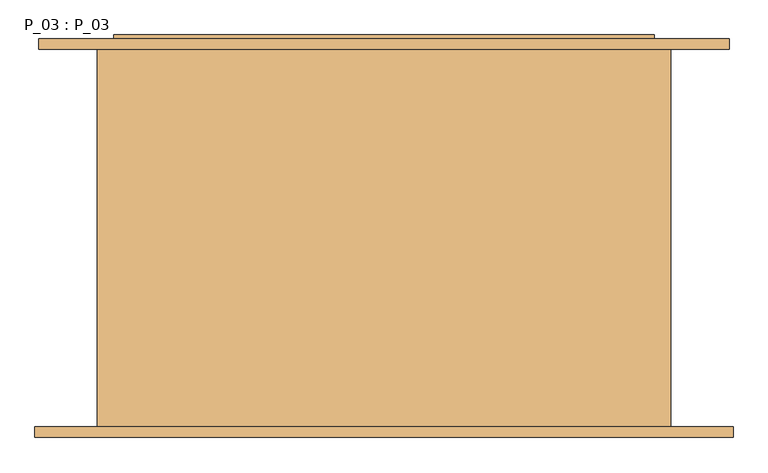
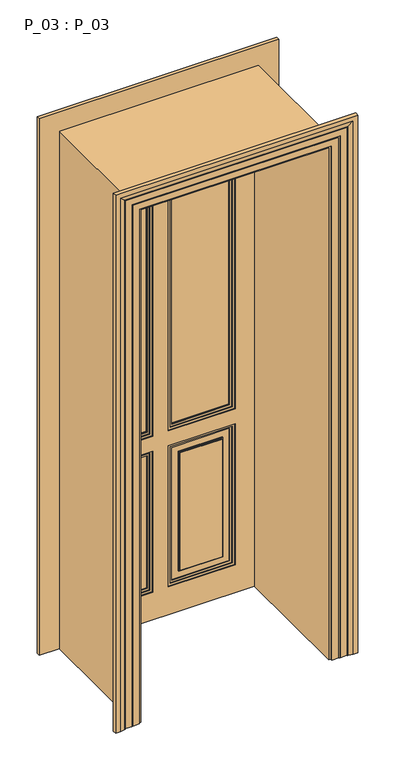
"""IFC4 building model written with IfcOpenShell, lengths in millimetres: door geometry, P_03 : P_03."""

from ifc_helpers import new_model, si_unit, frame, origin, place, context, project, spatial, polyline, outline, extrude, faceted_brep, source, transform, mapped, element, save


def p_03_p_03_9fbab7fd(model_context):
    return source(origin(), model_context, "Body", "SolidModel", [
        extrude(outline(polyline([(2310.0, -35.0), (2310.0, -330.0), (860.0, -330.0), (860.0, -35.0), (2310.0, -35.0)]), holes=[polyline([(2300.0, -320.0), (2300.0, -45.0), (870.0, -45.0), (870.0, -320.0), (2300.0, -320.0)])]), frame((0.0, 282.0, 0.0), z_axis=(0.0, 1.0, 0.0), x_axis=(0.0, 0.0, 1.0)), (0.0, 0.0, 1.0), 8.0),
        extrude(outline(polyline([(860.0, 330.0), (2310.0, 330.0), (2310.0, 35.0), (860.0, 35.0), (860.0, 330.0)]), holes=[polyline([(2300.0, 45.0), (2300.0, 320.0), (870.0, 320.0), (870.0, 45.0), (2300.0, 45.0)])]), frame((0.0, 282.0, 0.0), z_axis=(0.0, 1.0, 0.0), x_axis=(0.0, 0.0, 1.0)), (0.0, 0.0, 1.0), 8.0),
        extrude(outline(polyline([(790.0, -330.0), (130.0, -330.0), (130.0, -35.0), (790.0, -35.0), (790.0, -330.0)]), holes=[polyline([(780.0, -320.0), (780.0, -45.0), (140.0, -45.0), (140.0, -320.0), (780.0, -320.0)])]), frame((0.0, 282.0, 0.0), z_axis=(0.0, 1.0, 0.0), x_axis=(0.0, 0.0, 1.0)), (0.0, 0.0, 1.0), 8.0),
        extrude(outline(polyline([(130.0, 330.0), (790.0, 330.0), (790.0, 35.0), (130.0, 35.0), (130.0, 330.0)]), holes=[polyline([(780.0, 45.0), (780.0, 320.0), (140.0, 320.0), (140.0, 45.0), (780.0, 45.0)])]), frame((0.0, 282.0, 0.0), z_axis=(0.0, 1.0, 0.0), x_axis=(0.0, 0.0, 1.0)), (0.0, 0.0, 1.0), 8.0),
        extrude(outline(polyline([(0.0, 415.0), (2395.0, 415.0), (2395.0, -415.0), (0.0, -415.0), (0.0, 415.0)]), holes=[polyline([(860.0, -35.0), (860.0, -330.0), (2310.0, -330.0), (2310.0, -35.0), (860.0, -35.0)]), polyline([(790.0, -35.0), (130.0, -35.0), (130.0, -330.0), (790.0, -330.0), (790.0, -35.0)]), polyline([(860.0, 35.0), (2310.0, 35.0), (2310.0, 330.0), (860.0, 330.0), (860.0, 35.0)]), polyline([(130.0, 35.0), (790.0, 35.0), (790.0, 330.0), (130.0, 330.0), (130.0, 35.0)])]), frame((0.0, 278.0, 0.0), z_axis=(0.0, 1.0, 0.0), x_axis=(0.0, 0.0, 1.0)), (0.0, 0.0, 1.0), 12.0),
        extrude(outline(polyline([(2400.0, -420.0), (0.0, -420.0), (0.0, 420.0), (2400.0, 420.0), (2400.0, -420.0)]), holes=[polyline([(2290.0, 310.0), (880.0, 310.0), (880.0, 55.0), (2290.0, 55.0), (2290.0, 310.0)]), polyline([(880.0, -55.0), (880.0, -310.0), (2290.0, -310.0), (2290.0, -55.0), (880.0, -55.0)])]), frame((0.0, 290.0, 0.0), z_axis=(0.0, 1.0, 0.0), x_axis=(0.0, 0.0, 1.0)), (0.0, 0.0, 1.0), 10.0),
        extrude(outline(polyline([(860.0, 330.0), (2310.0, 330.0), (2310.0, 35.0), (860.0, 35.0), (860.0, 330.0)]), holes=[polyline([(2300.0, 45.0), (2300.0, 320.0), (870.0, 320.0), (870.0, 45.0), (2300.0, 45.0)])]), frame((0.0, 300.0, 0.0), z_axis=(0.0, 1.0, 0.0), x_axis=(0.0, 0.0, 1.0)), (0.0, 0.0, 1.0), 8.0),
        extrude(outline(polyline([(790.0, -330.0), (130.0, -330.0), (130.0, -35.0), (790.0, -35.0), (790.0, -330.0)]), holes=[polyline([(780.0, -320.0), (780.0, -45.0), (140.0, -45.0), (140.0, -320.0), (780.0, -320.0)])]), frame((0.0, 300.0, 0.0), z_axis=(0.0, 1.0, 0.0), x_axis=(0.0, 0.0, 1.0)), (0.0, 0.0, 1.0), 8.0),
        extrude(outline(polyline([(130.0, 330.0), (790.0, 330.0), (790.0, 35.0), (130.0, 35.0), (130.0, 330.0)]), holes=[polyline([(780.0, 45.0), (780.0, 320.0), (140.0, 320.0), (140.0, 45.0), (780.0, 45.0)])]), frame((0.0, 300.0, 0.0), z_axis=(0.0, 1.0, 0.0), x_axis=(0.0, 0.0, 1.0)), (0.0, 0.0, 1.0), 8.0),
        extrude(outline(polyline([(2310.0, -35.0), (2310.0, -330.0), (860.0, -330.0), (860.0, -35.0), (2310.0, -35.0)]), holes=[polyline([(2300.0, -320.0), (2300.0, -45.0), (870.0, -45.0), (870.0, -320.0), (2300.0, -320.0)])]), frame((0.0, 300.0, 0.0), z_axis=(0.0, 1.0, 0.0), x_axis=(0.0, 0.0, 1.0)), (0.0, 0.0, 1.0), 8.0),
        faceted_brep([(420.0, 300.0, 0.0), (420.0, 300.0, 2400.0), (-420.0, 300.0, 2400.0), (-420.0, 300.0, 0.0), (35.0, 300.0, 860.0), (35.0, 300.0, 2310.0), (330.0, 300.0, 2310.0), (330.0, 300.0, 860.0), (-35.0, 300.0, 860.0), (-330.0, 300.0, 860.0), (-330.0, 300.0, 2310.0), (-35.0, 300.0, 2310.0), (-35.0, 300.0, 790.0), (-35.0, 300.0, 130.0), (-330.0, 300.0, 130.0), (-330.0, 300.0, 790.0), (35.0, 300.0, 130.0), (35.0, 300.0, 790.0), (330.0, 300.0, 790.0), (330.0, 300.0, 130.0), (35.0, 312.0, 860.0), (35.0, 312.0, 2310.0), (330.0, 312.0, 2310.0), (330.0, 312.0, 860.0), (-35.0, 312.0, 860.0), (-330.0, 312.0, 860.0), (-330.0, 312.0, 2310.0), (-35.0, 312.0, 2310.0), (-35.0, 312.0, 790.0), (-35.0, 312.0, 130.0), (-330.0, 312.0, 130.0), (-330.0, 312.0, 790.0), (35.0, 312.0, 130.0), (35.0, 312.0, 790.0), (330.0, 312.0, 790.0), (330.0, 312.0, 130.0), (420.0, 305.0, 0.0), (420.0, 305.0, 2400.0), (-420.0, 305.0, 2400.0), (-420.0, 305.0, 0.0), (-415.0, 305.0, 0.0), (-415.0, 312.0, 0.0), (415.0, 312.0, 0.0), (415.0, 305.0, 0.0), (-415.0, 312.0, 2395.0), (415.0, 312.0, 2395.0), (-415.0, 305.0, 2395.0), (415.0, 305.0, 2395.0)], [[[0, 1, 2, 3], [4, 5, 6, 7], [8, 9, 10, 11], [12, 13, 14, 15], [16, 17, 18, 19]], [[5, 4, 20, 21]], [[7, 6, 22, 23]], [[4, 7, 23, 20]], [[9, 8, 24, 25]], [[10, 9, 25, 26]], [[8, 11, 27, 24]], [[13, 12, 28, 29]], [[14, 13, 29, 30]], [[15, 14, 30, 31]], [[12, 15, 31, 28]], [[17, 16, 32, 33]], [[18, 17, 33, 34]], [[19, 18, 34, 35]], [[16, 19, 35, 32]], [[0, 36, 37, 1]], [[3, 2, 38, 39]], [[0, 3, 39, 40, 41, 42, 43, 36]], [[42, 41, 44, 45], [20, 23, 22, 21], [24, 27, 26, 25], [28, 31, 30, 29], [32, 35, 34, 33]], [[44, 41, 40, 46]], [[42, 45, 47, 43]], [[36, 43, 47, 46, 40, 39, 38, 37]], [[6, 5, 21, 22]], [[11, 10, 26, 27]], [[1, 37, 38, 2]], [[45, 44, 46, 47]]]),
        faceted_brep([(530.0, 290.0, 0.0), (440.0, 290.0, 0.0), (440.0, -290.0, 0.0), (536.0, -290.0, 0.0), (536.0, -306.0, 0.0), (516.0, -306.0, 0.0), (496.0, -302.0291126, 0.0), (496.0, -301.0291126, 0.0), (491.0, -301.0291126, 0.0), (491.0, -300.0291126, 0.0), (461.0, -300.0291126, 0.0), (461.0, -299.0291126, 0.0), (456.0, -299.0291126, 0.0), (456.0, -298.0291126, 0.0), (426.0, -298.0291126, 0.0), (426.0, -290.0, 0.0), (416.0, -290.0, 0.0), (416.0, 290.0, 0.0), (426.0, 290.0, 0.0), (426.0, 298.0291126, 0.0), (456.0, 298.0291126, 0.0), (456.0, 299.0291126, 0.0), (461.0, 299.0291126, 0.0), (461.0, 300.0291126, 0.0), (485.0, 300.0291126, 0.0), (485.0, 301.0291126, 0.0), (490.0, 301.0291126, 0.0), (490.0, 302.0291126, 0.0), (510.0, 306.0, 0.0), (530.0, 306.0, 0.0), (530.0, 290.0, 2510.0), (-530.0, 290.0, 2510.0), (-530.0, 290.0, 0.0), (-440.0, 290.0, 0.0), (-440.0, 290.0, 2420.0), (440.0, 290.0, 2420.0), (440.0, -290.0, 2420.0), (-440.0, -290.0, 2420.0), (-440.0, -290.0, 0.0), (-536.0, -290.0, 0.0), (-536.0, -290.0, 2516.0), (536.0, -290.0, 2516.0), (536.0, -306.0, 2516.0), (-536.0, -306.0, 2516.0), (-536.0, -306.0, 0.0), (-516.0, -306.0, 0.0), (-516.0, -306.0, 2496.0), (516.0, -306.0, 2496.0), (496.0, -302.0291126, 2476.0), (496.0, -301.0291126, 2476.0), (-496.0, -301.0291126, 2476.0), (-496.0, -301.0291126, 0.0), (-491.0, -301.0291126, 0.0), (-491.0, -301.0291126, 2471.0), (491.0, -301.0291126, 2471.0), (491.0, -300.0291126, 2471.0), (-491.0, -300.0291126, 2471.0), (-491.0, -300.0291126, 0.0), (-461.0, -300.0291126, 0.0), (-461.0, -300.0291126, 2441.0), (461.0, -300.0291126, 2441.0), (461.0, -299.0291126, 2441.0), (-461.0, -299.0291126, 2441.0), (-461.0, -299.0291126, 0.0), (-456.0, -299.0291126, 0.0), (-456.0, -299.0291126, 2436.0), (456.0, -299.0291126, 2436.0), (456.0, -298.0291126, 2436.0), (-456.0, -298.0291126, 2436.0), (-456.0, -298.0291126, 0.0), (-426.0, -298.0291126, 0.0), (-426.0, -298.0291126, 2406.0), (426.0, -298.0291126, 2406.0), (426.0, -290.0, 2406.0), (-426.0, -290.0, 2406.0), (-426.0, -290.0, 0.0), (-416.0, -290.0, 0.0), (-416.0, -290.0, 2396.0), (416.0, -290.0, 2396.0), (416.0, 290.0, 2396.0), (-416.0, 290.0, 2396.0), (-416.0, 290.0, 0.0), (-426.0, 290.0, 0.0), (-426.0, 290.0, 2406.0), (426.0, 290.0, 2406.0), (426.0, 298.0291126, 2406.0), (-426.0, 298.0291126, 2406.0), (-426.0, 298.0291126, 0.0), (-456.0, 298.0291126, 0.0), (-456.0, 298.0291126, 2436.0), (456.0, 298.0291126, 2436.0), (456.0, 299.0291126, 2436.0), (-456.0, 299.0291126, 2436.0), (-456.0, 299.0291126, 0.0), (-461.0, 299.0291126, 0.0), (-461.0, 299.0291126, 2441.0), (461.0, 299.0291126, 2441.0), (461.0, 300.0291126, 2441.0), (-461.0, 300.0291126, 2441.0), (-461.0, 300.0291126, 0.0), (-485.0, 300.0291126, 0.0), (-485.0, 300.0291126, 2465.0), (485.0, 300.0291126, 2465.0), (485.0, 301.0291126, 2465.0), (-485.0, 301.0291126, 2465.0), (-485.0, 301.0291126, 0.0), (-490.0, 301.0291126, 0.0), (-490.0, 301.0291126, 2470.0), (490.0, 301.0291126, 2470.0), (490.0, 302.0291126, 2470.0), (510.0, 306.0, 2490.0), (-510.0, 306.0, 2490.0), (-510.0, 306.0, 0.0), (-530.0, 306.0, 0.0), (-530.0, 306.0, 2510.0), (530.0, 306.0, 2510.0), (-490.0, 302.0291126, 0.0), (-496.0, -302.0291126, 0.0), (-490.0, 302.0291126, 2470.0), (-496.0, -302.0291126, 2476.0)], [[[0, 1, 2, 3, 4, 5, 6, 7, 8, 9, 10, 11, 12, 13, 14, 15, 16, 17, 18, 19, 20, 21, 22, 23, 24, 25, 26, 27, 28, 29]], [[1, 0, 30, 31, 32, 33, 34, 35]], [[2, 1, 35, 36]], [[3, 2, 36, 37, 38, 39, 40, 41]], [[4, 3, 41, 42]], [[5, 4, 42, 43, 44, 45, 46, 47]], [[6, 5, 47, 48]], [[7, 6, 48, 49]], [[8, 7, 49, 50, 51, 52, 53, 54]], [[9, 8, 54, 55]], [[10, 9, 55, 56, 57, 58, 59, 60]], [[11, 10, 60, 61]], [[12, 11, 61, 62, 63, 64, 65, 66]], [[13, 12, 66, 67]], [[14, 13, 67, 68, 69, 70, 71, 72]], [[15, 14, 72, 73]], [[16, 15, 73, 74, 75, 76, 77, 78]], [[17, 16, 78, 79]], [[18, 17, 79, 80, 81, 82, 83, 84]], [[19, 18, 84, 85]], [[20, 19, 85, 86, 87, 88, 89, 90]], [[21, 20, 90, 91]], [[22, 21, 91, 92, 93, 94, 95, 96]], [[23, 22, 96, 97]], [[24, 23, 97, 98, 99, 100, 101, 102]], [[25, 24, 102, 103]], [[26, 25, 103, 104, 105, 106, 107, 108]], [[27, 26, 108, 109]], [[28, 27, 109, 110]], [[29, 28, 110, 111, 112, 113, 114, 115]], [[0, 29, 115, 30]], [[31, 114, 113, 32]], [[32, 113, 112, 116, 106, 105, 100, 99, 94, 93, 88, 87, 82, 81, 76, 75, 70, 69, 64, 63, 58, 57, 52, 51, 117, 45, 44, 39, 38, 33]], [[37, 34, 33, 38]], [[74, 71, 70, 75]], [[80, 77, 76, 81]], [[86, 83, 82, 87]], [[111, 118, 116, 112]], [[118, 107, 106, 116]], [[104, 101, 100, 105]], [[98, 95, 94, 99]], [[92, 89, 88, 93]], [[68, 65, 64, 69]], [[62, 59, 58, 63]], [[56, 53, 52, 57]], [[50, 119, 117, 51]], [[119, 46, 45, 117]], [[43, 40, 39, 44]], [[30, 115, 114, 31]], [[36, 35, 34, 37]], [[73, 72, 71, 74]], [[79, 78, 77, 80]], [[85, 84, 83, 86]], [[91, 90, 89, 92]], [[97, 96, 95, 98]], [[103, 102, 101, 104]], [[109, 108, 107, 118]], [[110, 109, 118, 111]], [[42, 41, 40, 43]], [[48, 47, 46, 119]], [[49, 48, 119, 50]], [[55, 54, 53, 56]], [[61, 60, 59, 62]], [[67, 66, 65, 68]]]),
        extrude(outline(polyline([(310.0, 293.0), (55.0, 293.0), (55.0, 297.0), (310.0, 297.0), (310.0, 293.0)])), frame((0.0, 0.0, 880.0), z_axis=(0.0, 0.0, 1.0), x_axis=(1.0, 0.0, 0.0)), (0.0, 0.0, 1.0), 1410.0),
        extrude(outline(polyline([(-55.0, 293.0), (-310.0, 293.0), (-310.0, 297.0), (-55.0, 297.0), (-55.0, 293.0)])), frame((0.0, 0.0, 880.0), z_axis=(0.0, 0.0, 1.0), x_axis=(1.0, 0.0, 0.0)), (0.0, 0.0, 1.0), 1410.0),
        extrude(outline(polyline([(2300.0, 45.0), (870.0, 45.0), (870.0, 320.0), (2300.0, 320.0), (2300.0, 45.0)]), holes=[polyline([(2290.0, 55.0), (2290.0, 310.0), (880.0, 310.0), (880.0, 55.0), (2290.0, 55.0)])]), frame((0.0, 286.0, 0.0), z_axis=(0.0, 1.0, 0.0), x_axis=(0.0, 0.0, 1.0)), (0.0, 0.0, 1.0), 4.0),
        extrude(outline(polyline([(2300.0, -320.0), (870.0, -320.0), (870.0, -45.0), (2300.0, -45.0), (2300.0, -320.0)]), holes=[polyline([(2290.0, -310.0), (2290.0, -55.0), (880.0, -55.0), (880.0, -310.0), (2290.0, -310.0)])]), frame((0.0, 286.0, 0.0), z_axis=(0.0, 1.0, 0.0), x_axis=(0.0, 0.0, 1.0)), (0.0, 0.0, 1.0), 4.0),
        extrude(outline(polyline([(780.0, 45.0), (140.0, 45.0), (140.0, 320.0), (780.0, 320.0), (780.0, 45.0)]), holes=[polyline([(770.0, 55.0), (770.0, 310.0), (150.0, 310.0), (150.0, 55.0), (770.0, 55.0)])]), frame((0.0, 286.0, 0.0), z_axis=(0.0, 1.0, 0.0), x_axis=(0.0, 0.0, 1.0)), (0.0, 0.0, 1.0), 4.0),
        extrude(outline(polyline([(780.0, -320.0), (140.0, -320.0), (140.0, -45.0), (780.0, -45.0), (780.0, -320.0)]), holes=[polyline([(770.0, -310.0), (770.0, -55.0), (150.0, -55.0), (150.0, -310.0), (770.0, -310.0)])]), frame((0.0, 286.0, 0.0), z_axis=(0.0, 1.0, 0.0), x_axis=(0.0, 0.0, 1.0)), (0.0, 0.0, 1.0), 4.0),
        extrude(outline(polyline([(740.0, 85.0), (180.0, 85.0), (180.0, 280.0), (740.0, 280.0), (740.0, 85.0)]), holes=[polyline([(735.0, 90.0), (735.0, 275.0), (185.0, 275.0), (185.0, 90.0), (735.0, 90.0)])]), frame((0.0, 286.0, 0.0), z_axis=(0.0, 1.0, 0.0), x_axis=(0.0, 0.0, 1.0)), (0.0, 0.0, 1.0), 4.0),
        extrude(outline(polyline([(740.0, -280.0), (180.0, -280.0), (180.0, -85.0), (740.0, -85.0), (740.0, -280.0)]), holes=[polyline([(735.0, -275.0), (735.0, -90.0), (185.0, -90.0), (185.0, -275.0), (735.0, -275.0)])]), frame((0.0, 286.0, 0.0), z_axis=(0.0, 1.0, 0.0), x_axis=(0.0, 0.0, 1.0)), (0.0, 0.0, 1.0), 4.0),
        extrude(outline(polyline([(780.0, 45.0), (140.0, 45.0), (140.0, 320.0), (780.0, 320.0), (780.0, 45.0)]), holes=[polyline([(770.0, 55.0), (770.0, 310.0), (150.0, 310.0), (150.0, 55.0), (770.0, 55.0)])]), frame((0.0, 300.0, 0.0), z_axis=(0.0, 1.0, 0.0), x_axis=(0.0, 0.0, 1.0)), (0.0, 0.0, 1.0), 4.0),
        extrude(outline(polyline([(780.0, -320.0), (140.0, -320.0), (140.0, -45.0), (780.0, -45.0), (780.0, -320.0)]), holes=[polyline([(770.0, -310.0), (770.0, -55.0), (150.0, -55.0), (150.0, -310.0), (770.0, -310.0)])]), frame((0.0, 300.0, 0.0), z_axis=(0.0, 1.0, 0.0), x_axis=(0.0, 0.0, 1.0)), (0.0, 0.0, 1.0), 4.0),
        extrude(outline(polyline([(740.0, 85.0), (180.0, 85.0), (180.0, 280.0), (740.0, 280.0), (740.0, 85.0)]), holes=[polyline([(735.0, 90.0), (735.0, 275.0), (185.0, 275.0), (185.0, 90.0), (735.0, 90.0)])]), frame((0.0, 300.0, 0.0), z_axis=(0.0, 1.0, 0.0), x_axis=(0.0, 0.0, 1.0)), (0.0, 0.0, 1.0), 4.0),
        extrude(outline(polyline([(740.0, -280.0), (180.0, -280.0), (180.0, -85.0), (740.0, -85.0), (740.0, -280.0)]), holes=[polyline([(735.0, -275.0), (735.0, -90.0), (185.0, -90.0), (185.0, -275.0), (735.0, -275.0)])]), frame((0.0, 300.0, 0.0), z_axis=(0.0, 1.0, 0.0), x_axis=(0.0, 0.0, 1.0)), (0.0, 0.0, 1.0), 4.0),
        extrude(outline(polyline([(2300.0, 45.0), (870.0, 45.0), (870.0, 320.0), (2300.0, 320.0), (2300.0, 45.0)]), holes=[polyline([(2290.0, 55.0), (2290.0, 310.0), (880.0, 310.0), (880.0, 55.0), (2290.0, 55.0)])]), frame((0.0, 300.0, 0.0), z_axis=(0.0, 1.0, 0.0), x_axis=(0.0, 0.0, 1.0)), (0.0, 0.0, 1.0), 4.0),
        extrude(outline(polyline([(2300.0, -320.0), (870.0, -320.0), (870.0, -45.0), (2300.0, -45.0), (2300.0, -320.0)]), holes=[polyline([(2290.0, -310.0), (2290.0, -55.0), (880.0, -55.0), (880.0, -310.0), (2290.0, -310.0)])]), frame((0.0, 300.0, 0.0), z_axis=(0.0, 1.0, 0.0), x_axis=(0.0, 0.0, 1.0)), (0.0, 0.0, 1.0), 4.0),
        extrude(outline(polyline([(90.0, 290.0), (275.0, 290.0), (275.0, 282.0), (90.0, 282.0), (90.0, 290.0)])), frame((0.0, 0.0, 185.0), z_axis=(0.0, 0.0, 1.0), x_axis=(1.0, 0.0, 0.0)), (0.0, 0.0, 1.0), 550.0),
        extrude(outline(polyline([(-275.0, 290.0), (-90.0, 290.0), (-90.0, 282.0), (-275.0, 282.0), (-275.0, 290.0)])), frame((0.0, 0.0, 185.0), z_axis=(0.0, 0.0, 1.0), x_axis=(1.0, 0.0, 0.0)), (0.0, 0.0, 1.0), 550.0),
        extrude(outline(polyline([(275.0, 300.0), (90.0, 300.0), (90.0, 308.0), (275.0, 308.0), (275.0, 300.0)])), frame((0.0, 0.0, 185.0), z_axis=(0.0, 0.0, 1.0), x_axis=(1.0, 0.0, 0.0)), (0.0, 0.0, 1.0), 550.0),
        extrude(outline(polyline([(-90.0, 300.0), (-275.0, 300.0), (-275.0, 308.0), (-90.0, 308.0), (-90.0, 300.0)])), frame((0.0, 0.0, 185.0), z_axis=(0.0, 0.0, 1.0), x_axis=(1.0, 0.0, 0.0)), (0.0, 0.0, 1.0), 550.0),
    ])


if __name__ == "__main__":
    model = new_model("IFC4")
    model_context = context("Model", 3, world=origin())
    ifc_project = project(units=[si_unit("LENGTHUNIT", "METRE", prefix="MILLI")], contexts=[model_context])
    site = spatial("IfcSite", under=ifc_project)
    building = spatial("IfcBuilding", under=site)
    placement = place(None, origin())
    p_03_p_03_shape = p_03_p_03_9fbab7fd(model_context)
    element("IfcDoor", 1, ObjectType="P_03 : P_03", at=placement, inside=building, context=model_context, shape_type="MappedRepresentation", body=[
        mapped(p_03_p_03_shape, transform((0.0, 0.0, 0.0), x_axis=(1.0, 0.0, 0.0), y_axis=(0.0, 1.0, 0.0), z_axis=(0.0, 0.0, 1.0))),
    ])
    save(model, "model.ifc")
